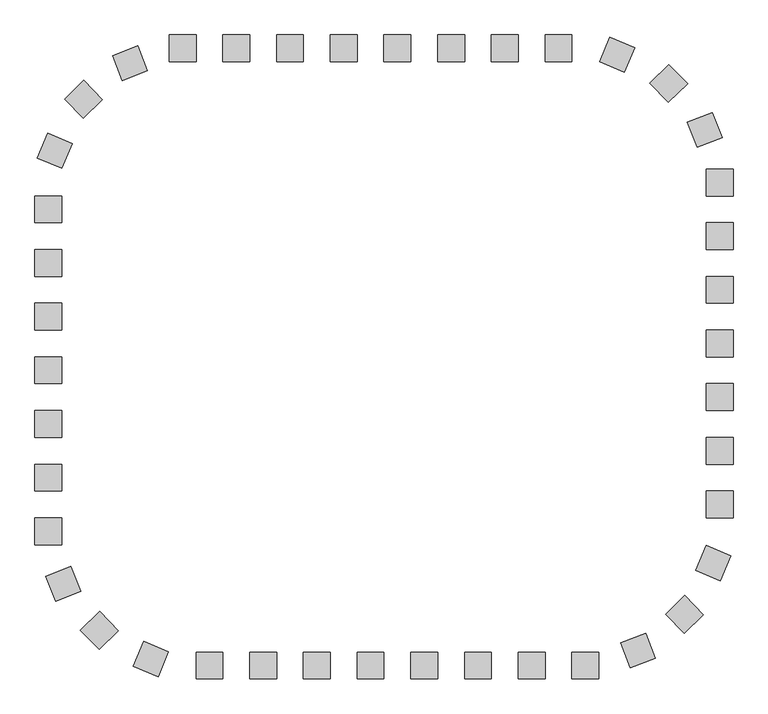
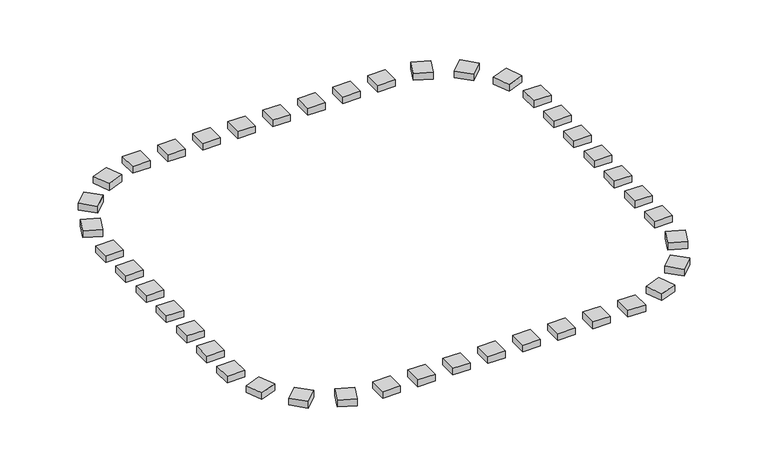
"""IFC4 building model written with IfcOpenShell, lengths in millimetres: railing geometry."""

from ifc_helpers import new_model, si_unit, origin, origin_with_axes, place, context, project, spatial, polyline, outline, extrude, source, transform, mapped, element, save


def railing_d4095ea0(model_context):
    return source(origin(), model_context, "Body", "SweptSolid", [
        extrude(outline(polyline([(-34457.9798567, 21987.3166341), (-34457.9798567, 21487.3166341), (-34957.9798567, 21487.3166341), (-34957.9798567, 21987.3166341), (-34457.9798567, 21987.3166341)])), origin_with_axes(), (0.0, 0.0, 1.0), 200.0),
        extrude(outline(polyline([(-35457.9798567, 21987.3166341), (-35457.9798567, 21487.3166341), (-35957.9798567, 21487.3166341), (-35957.9798567, 21987.3166341), (-35457.9798567, 21987.3166341)])), origin_with_axes(), (0.0, 0.0, 1.0), 200.0),
        extrude(outline(polyline([(-36457.9798567, 21987.3166341), (-36457.9798567, 21487.3166341), (-36957.9798567, 21487.3166341), (-36957.9798567, 21987.3166341), (-36457.9798567, 21987.3166341)])), origin_with_axes(), (0.0, 0.0, 1.0), 200.0),
        extrude(outline(polyline([(-37457.9798567, 21987.3166341), (-37457.9798567, 21487.3166341), (-37957.9798567, 21487.3166341), (-37957.9798567, 21987.3166341), (-37457.9798567, 21987.3166341)])), origin_with_axes(), (0.0, 0.0, 1.0), 200.0),
        extrude(outline(polyline([(-38457.9798567, 21987.3166341), (-38457.9798567, 21487.3166341), (-38957.9798567, 21487.3166341), (-38957.9798567, 21987.3166341), (-38457.9798567, 21987.3166341)])), origin_with_axes(), (0.0, 0.0, 1.0), 200.0),
        extrude(outline(polyline([(-39457.9798567, 21987.3166341), (-39457.9798567, 21487.3166341), (-39957.9798567, 21487.3166341), (-39957.9798567, 21987.3166341), (-39457.9798567, 21987.3166341)])), origin_with_axes(), (0.0, 0.0, 1.0), 200.0),
        extrude(outline(polyline([(-41545.0531201, 21783.433892), (-41363.8742429, 21317.4143491), (-41829.8937858, 21136.2354718), (-42011.0726631, 21602.2550148), (-41545.0531201, 21783.433892)])), origin_with_axes(), (0.0, 0.0, 1.0), 200.0),
        extrude(outline(polyline([(-42548.0999847, 21139.3849068), (-42199.74663, 20780.7068614), (-42558.4246755, 20432.3535067), (-42906.7780302, 20791.0315522), (-42548.0999847, 21139.3849068)])), origin_with_axes(), (0.0, 0.0, 1.0), 200.0),
        extrude(outline(polyline([(-43221.1628387, 20155.5716611), (-42760.6323417, 19960.8624899), (-42955.3415128, 19500.3319929), (-43415.8720098, 19695.0411641), (-43221.1628387, 20155.5716611)])), origin_with_axes(), (0.0, 0.0, 1.0), 200.0),
        extrude(outline(polyline([(-43457.9798567, 17987.3166341), (-42957.9798567, 17987.3166341), (-42957.9798567, 17487.3166341), (-43457.9798567, 17487.3166341), (-43457.9798567, 17987.3166341)])), origin_with_axes(), (0.0, 0.0, 1.0), 200.0),
        extrude(outline(polyline([(-43457.9798567, 16987.3166341), (-42957.9798567, 16987.3166341), (-42957.9798567, 16487.3166341), (-43457.9798567, 16487.3166341), (-43457.9798567, 16987.3166341)])), origin_with_axes(), (0.0, 0.0, 1.0), 200.0),
        extrude(outline(polyline([(-43457.9798567, 15987.3166341), (-42957.9798567, 15987.3166341), (-42957.9798567, 15487.3166341), (-43457.9798567, 15487.3166341), (-43457.9798567, 15987.3166341)])), origin_with_axes(), (0.0, 0.0, 1.0), 200.0),
        extrude(outline(polyline([(-43457.9798567, 14987.3166341), (-42957.9798567, 14987.3166341), (-42957.9798567, 14487.3166341), (-43457.9798567, 14487.3166341), (-43457.9798567, 14987.3166341)])), origin_with_axes(), (0.0, 0.0, 1.0), 200.0),
        extrude(outline(polyline([(-43457.9798567, 13987.3166341), (-42957.9798567, 13987.3166341), (-42957.9798567, 13487.3166341), (-43457.9798567, 13487.3166341), (-43457.9798567, 13987.3166341)])), origin_with_axes(), (0.0, 0.0, 1.0), 200.0),
        extrude(outline(polyline([(-43254.0971146, 11900.2433707), (-42788.0775716, 12081.4222479), (-42606.8986944, 11615.402705), (-43072.9182373, 11434.2238277), (-43254.0971146, 11900.2433707)])), origin_with_axes(), (0.0, 0.0, 1.0), 200.0),
        extrude(outline(polyline([(-42610.0481294, 10897.1965061), (-42251.3700839, 11245.5498608), (-41903.0167292, 10886.8718153), (-42261.6947747, 10538.5184606), (-42610.0481294, 10897.1965061)])), origin_with_axes(), (0.0, 0.0, 1.0), 200.0),
        extrude(outline(polyline([(-41626.2348836, 10224.1336521), (-41431.5257124, 10684.6641491), (-40970.9952154, 10489.954978), (-41165.7043866, 10029.424481), (-41626.2348836, 10224.1336521)])), origin_with_axes(), (0.0, 0.0, 1.0), 200.0),
        extrude(outline(polyline([(-39457.9798567, 9987.3166341), (-39457.9798567, 10487.3166341), (-38957.9798567, 10487.3166341), (-38957.9798567, 9987.3166341), (-39457.9798567, 9987.3166341)])), origin_with_axes(), (0.0, 0.0, 1.0), 200.0),
        extrude(outline(polyline([(-38457.9798567, 9987.3166341), (-38457.9798567, 10487.3166341), (-37957.9798567, 10487.3166341), (-37957.9798567, 9987.3166341), (-38457.9798567, 9987.3166341)])), origin_with_axes(), (0.0, 0.0, 1.0), 200.0),
        extrude(outline(polyline([(-37457.9798567, 9987.3166341), (-37457.9798567, 10487.3166341), (-36957.9798567, 10487.3166341), (-36957.9798567, 9987.3166341), (-37457.9798567, 9987.3166341)])), origin_with_axes(), (0.0, 0.0, 1.0), 200.0),
        extrude(outline(polyline([(-36457.9798567, 9987.3166341), (-36457.9798567, 10487.3166341), (-35957.9798567, 10487.3166341), (-35957.9798567, 9987.3166341), (-36457.9798567, 9987.3166341)])), origin_with_axes(), (0.0, 0.0, 1.0), 200.0),
        extrude(outline(polyline([(-35457.9798567, 9987.3166341), (-35457.9798567, 10487.3166341), (-34957.9798567, 10487.3166341), (-34957.9798567, 9987.3166341), (-35457.9798567, 9987.3166341)])), origin_with_axes(), (0.0, 0.0, 1.0), 200.0),
        extrude(outline(polyline([(-34457.9798567, 9987.3166341), (-34457.9798567, 10487.3166341), (-33957.9798567, 10487.3166341), (-33957.9798567, 9987.3166341), (-34457.9798567, 9987.3166341)])), origin_with_axes(), (0.0, 0.0, 1.0), 200.0),
        extrude(outline(polyline([(-32370.9065932, 10191.1993762), (-32552.0854705, 10657.2189192), (-32086.0659275, 10838.3977965), (-31904.8870503, 10372.3782535), (-32370.9065932, 10191.1993762)])), origin_with_axes(), (0.0, 0.0, 1.0), 200.0),
        extrude(outline(polyline([(-31367.8597286, 10835.2483614), (-31716.2130833, 11193.9264069), (-31357.5350379, 11542.2797616), (-31009.1816832, 11183.6017161), (-31367.8597286, 10835.2483614)])), origin_with_axes(), (0.0, 0.0, 1.0), 200.0),
        extrude(outline(polyline([(-30694.7968747, 11819.0616072), (-31155.3273717, 12013.7707784), (-30960.6182005, 12474.3012754), (-30500.0877035, 12279.5921042), (-30694.7968747, 11819.0616072)])), origin_with_axes(), (0.0, 0.0, 1.0), 200.0),
        extrude(outline(polyline([(-30457.9798567, 13987.3166341), (-30957.9798567, 13987.3166341), (-30957.9798567, 14487.3166341), (-30457.9798567, 14487.3166341), (-30457.9798567, 13987.3166341)])), origin_with_axes(), (0.0, 0.0, 1.0), 200.0),
        extrude(outline(polyline([(-30457.9798567, 14987.3166341), (-30957.9798567, 14987.3166341), (-30957.9798567, 15487.3166341), (-30457.9798567, 15487.3166341), (-30457.9798567, 14987.3166341)])), origin_with_axes(), (0.0, 0.0, 1.0), 200.0),
        extrude(outline(polyline([(-30457.9798567, 15987.3166341), (-30957.9798567, 15987.3166341), (-30957.9798567, 16487.3166341), (-30457.9798567, 16487.3166341), (-30457.9798567, 15987.3166341)])), origin_with_axes(), (0.0, 0.0, 1.0), 200.0),
        extrude(outline(polyline([(-30457.9798567, 16987.3166341), (-30957.9798567, 16987.3166341), (-30957.9798567, 17487.3166341), (-30457.9798567, 17487.3166341), (-30457.9798567, 16987.3166341)])), origin_with_axes(), (0.0, 0.0, 1.0), 200.0),
        extrude(outline(polyline([(-30457.9798567, 17987.3166341), (-30957.9798567, 17987.3166341), (-30957.9798567, 18487.3166341), (-30457.9798567, 18487.3166341), (-30457.9798567, 17987.3166341)])), origin_with_axes(), (0.0, 0.0, 1.0), 200.0),
        extrude(outline(polyline([(-30661.8625988, 20074.3898976), (-31127.8821418, 19893.2110203), (-31309.061019, 20359.2305633), (-30843.041476, 20540.4094406), (-30661.8625988, 20074.3898976)])), origin_with_axes(), (0.0, 0.0, 1.0), 200.0),
        extrude(outline(polyline([(-31305.911584, 21077.4367622), (-31664.5896294, 20729.0834075), (-32012.9429841, 21087.761453), (-31654.2649386, 21436.1148076), (-31305.911584, 21077.4367622)])), origin_with_axes(), (0.0, 0.0, 1.0), 200.0),
        extrude(outline(polyline([(-32289.7248297, 21750.4996161), (-32484.4340009, 21289.9691191), (-32944.9644979, 21484.6782903), (-32750.2553267, 21945.2087873), (-32289.7248297, 21750.4996161)])), origin_with_axes(), (0.0, 0.0, 1.0), 200.0),
        extrude(outline(polyline([(-33457.9798567, 21987.3166341), (-33457.9798567, 21487.3166341), (-33957.9798567, 21487.3166341), (-33957.9798567, 21987.3166341), (-33457.9798567, 21987.3166341)])), origin_with_axes(), (0.0, 0.0, 1.0), 200.0),
        extrude(outline(polyline([(-40457.9798567, 21987.3166341), (-40457.9798567, 21487.3166341), (-40957.9798567, 21487.3166341), (-40957.9798567, 21987.3166341), (-40457.9798567, 21987.3166341)])), origin_with_axes(), (0.0, 0.0, 1.0), 200.0),
        extrude(outline(polyline([(-43457.9798567, 18987.3166341), (-42957.9798567, 18987.3166341), (-42957.9798567, 18487.3166341), (-43457.9798567, 18487.3166341), (-43457.9798567, 18987.3166341)])), origin_with_axes(), (0.0, 0.0, 1.0), 200.0),
        extrude(outline(polyline([(-43457.9798567, 12987.3166341), (-42957.9798567, 12987.3166341), (-42957.9798567, 12487.3166341), (-43457.9798567, 12487.3166341), (-43457.9798567, 12987.3166341)])), origin_with_axes(), (0.0, 0.0, 1.0), 200.0),
        extrude(outline(polyline([(-40457.9798567, 9987.3166341), (-40457.9798567, 10487.3166341), (-39957.9798567, 10487.3166341), (-39957.9798567, 9987.3166341), (-40457.9798567, 9987.3166341)])), origin_with_axes(), (0.0, 0.0, 1.0), 200.0),
        extrude(outline(polyline([(-33457.9798567, 9987.3166341), (-33457.9798567, 10487.3166341), (-32957.9798567, 10487.3166341), (-32957.9798567, 9987.3166341), (-33457.9798567, 9987.3166341)])), origin_with_axes(), (0.0, 0.0, 1.0), 200.0),
        extrude(outline(polyline([(-30457.9798567, 12987.3166341), (-30957.9798567, 12987.3166341), (-30957.9798567, 13487.3166341), (-30457.9798567, 13487.3166341), (-30457.9798567, 12987.3166341)])), origin_with_axes(), (0.0, 0.0, 1.0), 200.0),
        extrude(outline(polyline([(-30457.9798567, 18987.3166341), (-30957.9798567, 18987.3166341), (-30957.9798567, 19487.3166341), (-30457.9798567, 19487.3166341), (-30457.9798567, 18987.3166341)])), origin_with_axes(), (0.0, 0.0, 1.0), 200.0),
    ])


if __name__ == "__main__":
    model = new_model("IFC4")
    model_context = context("Model", 3, world=origin())
    ifc_project = project(units=[si_unit("LENGTHUNIT", "METRE", prefix="MILLI")], contexts=[model_context])
    site = spatial("IfcSite", under=ifc_project)
    building = spatial("IfcBuilding", under=site)
    placement = place(None, origin())
    railing_shape = railing_d4095ea0(model_context)
    element("IfcRailing", 1, at=placement, inside=building, context=model_context, shape_type="MappedRepresentation", body=[
        mapped(railing_shape, transform((0.0, 0.0, 0.0), x_axis=(1.0, 0.0, 0.0), y_axis=(0.0, 1.0, 0.0), z_axis=(0.0, 0.0, 1.0))),
    ])
    save(model, "model.ifc")
